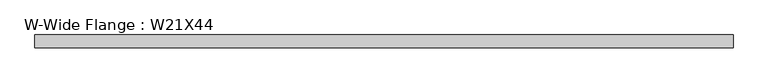
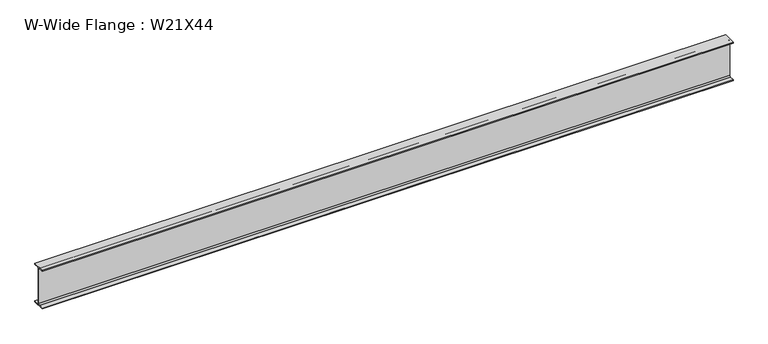
"""IFC4 building model written with IfcOpenShell, lengths in millimetres: beam geometry, W-Wide Flange : W21X44."""

from ifc_helpers import new_model, si_unit, point, frame, frame_2d, origin, place, context, project, spatial, polyline, circle_curve, trimmed, segment, composite_curve, outline, extrude, source, transform, mapped, element, save


def w_wide_flange_w21x44_6867d77c(model_context):
    return source(origin(), model_context, "Body", "SweptSolid", [
        extrude(outline(composite_curve([segment(polyline([(82.55, -251.4699219), (82.55, -262.8800781), (-82.55, -262.8800781), (-82.55, -251.4699219), (-21.6296875, -251.4699219)]), True, "CONTINUOUS"), segment(trimmed(circle_curve(frame_2d((-21.6296875, -234.3050781)), 17.1648437), [point((-21.6296875, -251.4699219))], [point((-4.4648438, -234.3050781))], True, "CARTESIAN"), True, "CONTINUOUS"), segment(polyline([(-4.4648438, -234.3050781), (-4.4648438, 234.3050781)]), True, "CONTINUOUS"), segment(trimmed(circle_curve(frame_2d((-21.6296875, 234.3050781)), 17.1648437), [point((-4.4648438, 234.3050781))], [point((-21.6296875, 251.4699219))], True, "CARTESIAN"), True, "CONTINUOUS"), segment(polyline([(-21.6296875, 251.4699219), (-82.55, 251.4699219), (-82.55, 262.8800781), (82.55, 262.8800781), (82.55, 251.4699219), (21.6296875, 251.4699219)]), True, "CONTINUOUS"), segment(trimmed(circle_curve(frame_2d((21.6296875, 234.3050781)), 17.1648437), [point((21.6296875, 251.4699219))], [point((4.4648437, 234.3050781))], True, "CARTESIAN"), True, "CONTINUOUS"), segment(polyline([(4.4648437, 234.3050781), (4.4648437, -234.3050781)]), True, "CONTINUOUS"), segment(trimmed(circle_curve(frame_2d((21.6296875, -234.3050781)), 17.1648437), [point((4.4648437, -234.3050781))], [point((21.6296875, -251.4699219))], True, "CARTESIAN"), True, "CONTINUOUS"), segment(polyline([(21.6296875, -251.4699219), (82.55, -251.4699219)]), True, "CONTINUOUS")], self_intersect=False)), frame((-4454.2769531, 0.0, 0.0), z_axis=(1.0, 0.0, 0.0), x_axis=(0.0, 1.0, 0.0)), (0.0, 0.0, 1.0), 8930.2828125),
    ])


if __name__ == "__main__":
    model = new_model("IFC4")
    model_context = context("Model", 3, world=origin())
    ifc_project = project(units=[si_unit("LENGTHUNIT", "METRE", prefix="MILLI")], contexts=[model_context])
    site = spatial("IfcSite", under=ifc_project)
    building = spatial("IfcBuilding", under=site)
    placement = place(None, origin())
    w_wide_flange_w21x44_shape = w_wide_flange_w21x44_6867d77c(model_context)
    element("IfcBeam", 1, ObjectType="W-Wide Flange : W21X44", at=placement, inside=building, context=model_context, shape_type="MappedRepresentation", body=[
        mapped(w_wide_flange_w21x44_shape, transform((0.0, 0.0, 0.0), x_axis=(1.0, 0.0, 0.0), y_axis=(0.0, 1.0, 0.0), z_axis=(0.0, 0.0, 1.0))),
    ])
    save(model, "model.ifc")
